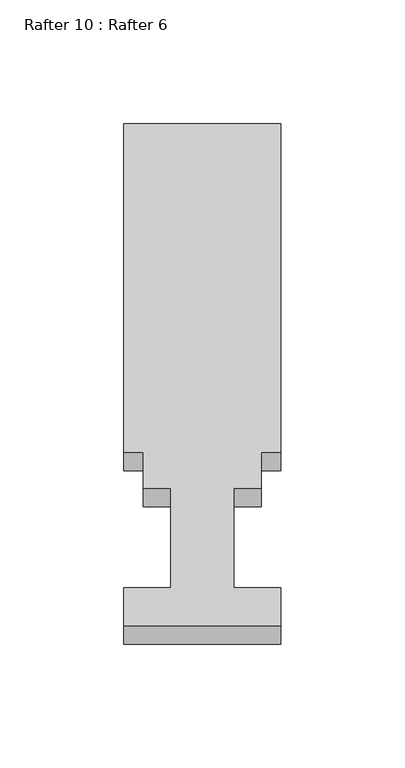
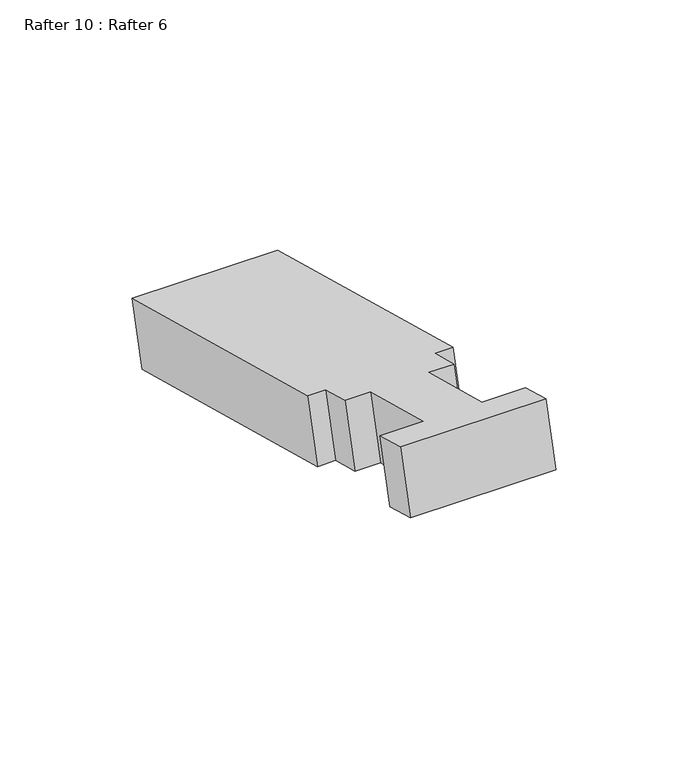
"""IFC4 building model written with IfcOpenShell, lengths in millimetres: proxy geometry, Rafter 10 : Rafter 6."""

from ifc_helpers import new_model, si_unit, frame, origin, place, context, project, spatial, polyline, outline, extrude, source, transform, mapped, element, save


def rafter_10_rafter_6_d80a2ecf(model_context):
    return source(origin(), model_context, "Body", "SweptSolid", [
        extrude(outline(polyline([(-63.5, 0.0), (0.0, 0.0), (0.0, -15.875), (-19.05, -15.875), (-19.05, -57.531), (-7.9248, -57.531), (-7.9248, -72.5932), (0.0, -72.5932), (0.0, -209.9310001), (-63.5, -209.9310001), (-63.5, -72.5932), (-55.5752, -72.5932), (-55.5752, -57.531), (-44.45, -57.531), (-44.45, -15.875), (-63.5, -15.875), (-63.5, 0.0)])), frame((-4177.5232944, 2491.0335405, 927.5276005), z_axis=(0.0, 0.2588190451025275, 0.9659258262890665), x_axis=(-1.0, 0.0, 0.0)), (0.0, 0.0, 1.0), 29.1531507),
    ])


if __name__ == "__main__":
    model = new_model("IFC4")
    model_context = context("Model", 3, world=origin())
    ifc_project = project(units=[si_unit("LENGTHUNIT", "METRE", prefix="MILLI")], contexts=[model_context])
    site = spatial("IfcSite", under=ifc_project)
    building = spatial("IfcBuilding", under=site)
    placement = place(None, origin())
    rafter_10_rafter_6_shape = rafter_10_rafter_6_d80a2ecf(model_context)
    element("IfcBuildingElementProxy", 1, Name="Rafter 10 : Rafter 6", ObjectType="Rafter 10 : Rafter 6", at=placement, inside=building, context=model_context, shape_type="MappedRepresentation", body=[
        mapped(rafter_10_rafter_6_shape, transform((0.0, 0.0, 0.0), x_axis=(1.0, 0.0, 0.0), y_axis=(0.0, 1.0, 0.0), z_axis=(0.0, 0.0, 1.0))),
    ])
    save(model, "model.ifc")
